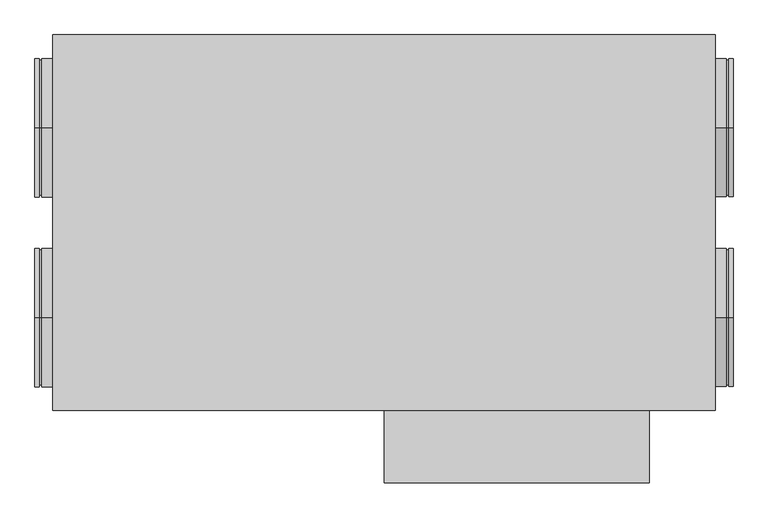
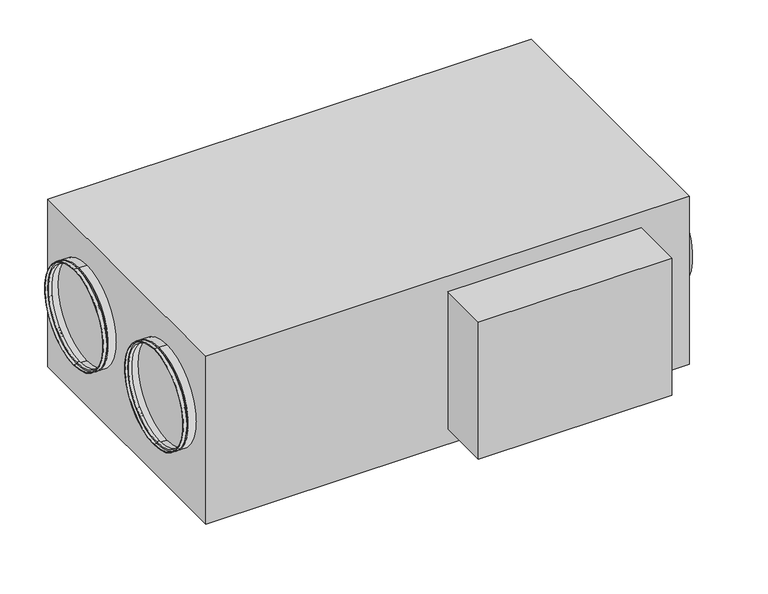
"""IFC4 building model written with IfcOpenShell, lengths in millimetres: proxy geometry."""

from ifc_helpers import new_model, si_unit, frame, origin, origin_with_axes, place, context, project, spatial, polyline, circle_curve, outline, extrude, source, transform, mapped, element, save
from ifc_brep_helpers import plane_surface, cylinder_surface, revolved_surface, advanced_brep


def mechanical_equipment_5552c6d2(model_context):
    return source(origin(), model_context, "Body", "SolidModel", [
        advanced_brep(
        [(-780.0, -215.0, 461.5), (-780.0, -215.0, 146.5), (-790.0, -215.0, 146.5), (-790.0, -215.0, 461.5), (-780.0, -215.0, 456.5), (-780.0, -215.0, 151.5), (-775.0, -215.0, 456.5), (-775.0, -215.0, 151.5), (-775.0, -215.0, 461.5), (-775.0, -215.0, 146.5), (-750.0, -215.0, 461.5), (-750.0, -215.0, 146.5), (-750.0, -215.0, 459.5), (-750.0, -215.0, 148.5), (-773.0, -215.0, 459.5), (-773.0, -215.0, 148.5), (-773.0, -215.0, 454.5), (-773.0, -215.0, 153.5), (-782.0, -215.0, 454.5), (-782.0, -215.0, 153.5), (-782.0, -215.0, 459.5), (-782.0, -215.0, 148.5), (-790.0, -215.0, 459.5), (-790.0, -215.0, 148.5)],
        [
            (0, 1, circle_curve(frame((-780.0, -215.0, 304.0), z_axis=(-1.0, 0.0, 0.0), x_axis=(0.0, 0.0, -1.0)), 157.5)),
            (1, 2),
            (2, 3, circle_curve(frame((-790.0, -215.0, 304.0), z_axis=(1.0, 0.0, 0.0), x_axis=(0.0, 0.0, -1.0)), 157.5)),
            (3, 0),
            (1, 0, circle_curve(frame((-780.0, -215.0, 304.0), z_axis=(-1.0, 0.0, 0.0), x_axis=(0.0, 0.0, -1.0)), 157.5)),
            (3, 2, circle_curve(frame((-790.0, -215.0, 304.0), z_axis=(1.0, 0.0, 0.0), x_axis=(0.0, 0.0, -1.0)), 157.5)),
            (4, 5, circle_curve(frame((-780.0, -215.0, 304.0), z_axis=(-1.0, 0.0, 0.0), x_axis=(0.0, 0.0, -1.0)), 152.5)),
            (5, 1),
            (0, 4),
            (5, 4, circle_curve(frame((-780.0, -215.0, 304.0), z_axis=(-1.0, 0.0, 0.0), x_axis=(0.0, 0.0, -1.0)), 152.5)),
            (6, 7, circle_curve(frame((-775.0, -215.0, 304.0), z_axis=(-1.0, 0.0, 0.0), x_axis=(0.0, 0.0, -1.0)), 152.5)),
            (7, 5),
            (4, 6),
            (7, 6, circle_curve(frame((-775.0, -215.0, 304.0), z_axis=(-1.0, 0.0, 0.0), x_axis=(0.0, 0.0, -1.0)), 152.5)),
            (8, 9, circle_curve(frame((-775.0, -215.0, 304.0), z_axis=(-1.0, 0.0, 0.0), x_axis=(0.0, 0.0, -1.0)), 157.5)),
            (9, 7),
            (6, 8),
            (9, 8, circle_curve(frame((-775.0, -215.0, 304.0), z_axis=(-1.0, 0.0, 0.0), x_axis=(0.0, 0.0, -1.0)), 157.5)),
            (10, 11, circle_curve(frame((-750.0, -215.0, 304.0), z_axis=(-1.0, 0.0, 0.0), x_axis=(0.0, 0.0, -1.0)), 157.5)),
            (11, 9),
            (8, 10),
            (11, 10, circle_curve(frame((-750.0, -215.0, 304.0), z_axis=(-1.0, 0.0, 0.0), x_axis=(0.0, 0.0, -1.0)), 157.5)),
            (12, 13, circle_curve(frame((-750.0, -215.0, 304.0), z_axis=(-1.0, 0.0, 0.0), x_axis=(0.0, 0.0, -1.0)), 155.5)),
            (13, 11),
            (10, 12),
            (13, 12, circle_curve(frame((-750.0, -215.0, 304.0), z_axis=(-1.0, 0.0, 0.0), x_axis=(0.0, 0.0, -1.0)), 155.5)),
            (14, 15, circle_curve(frame((-773.0, -215.0, 304.0), z_axis=(-1.0, 0.0, 0.0), x_axis=(0.0, 0.0, -1.0)), 155.5)),
            (15, 13),
            (12, 14),
            (15, 14, circle_curve(frame((-773.0, -215.0, 304.0), z_axis=(-1.0, 0.0, 0.0), x_axis=(0.0, 0.0, -1.0)), 155.5)),
            (16, 17, circle_curve(frame((-773.0, -215.0, 304.0), z_axis=(-1.0, 0.0, 0.0), x_axis=(0.0, 0.0, -1.0)), 150.5)),
            (17, 15),
            (14, 16),
            (17, 16, circle_curve(frame((-773.0, -215.0, 304.0), z_axis=(-1.0, 0.0, 0.0), x_axis=(0.0, 0.0, -1.0)), 150.5)),
            (18, 19, circle_curve(frame((-782.0, -215.0, 304.0), z_axis=(-1.0, 0.0, 0.0), x_axis=(0.0, 0.0, -1.0)), 150.5)),
            (19, 17),
            (16, 18),
            (19, 18, circle_curve(frame((-782.0, -215.0, 304.0), z_axis=(-1.0, 0.0, 0.0), x_axis=(0.0, 0.0, -1.0)), 150.5)),
            (20, 21, circle_curve(frame((-782.0, -215.0, 304.0), z_axis=(-1.0, 0.0, 0.0), x_axis=(0.0, 0.0, -1.0)), 155.5)),
            (21, 19),
            (18, 20),
            (21, 20, circle_curve(frame((-782.0, -215.0, 304.0), z_axis=(-1.0, 0.0, 0.0), x_axis=(0.0, 0.0, -1.0)), 155.5)),
            (22, 23, circle_curve(frame((-790.0, -215.0, 304.0), z_axis=(-1.0, 0.0, 0.0), x_axis=(0.0, 0.0, -1.0)), 155.5)),
            (23, 21),
            (20, 22),
            (23, 22, circle_curve(frame((-790.0, -215.0, 304.0), z_axis=(-1.0, 0.0, 0.0), x_axis=(0.0, 0.0, -1.0)), 155.5)),
            (2, 23),
            (22, 3),
        ],
        [
            cylinder_surface(frame((-2325.0440172, -215.0, 304.0), z_axis=(1.0, 0.0, 0.0), x_axis=(0.0, 0.0, -1.0)), 157.5),
            plane_surface(frame((-780.0, -215.0, 304.0), z_axis=(1.0, 0.0, 0.0), x_axis=(0.0, 0.0, -1.0))),
            cylinder_surface(frame((-2325.0440172, -215.0, 304.0), z_axis=(1.0, 0.0, 0.0), x_axis=(0.0, 0.0, -1.0)), 152.5),
            plane_surface(frame((-775.0, -215.0, 304.0), z_axis=(-1.0, 0.0, 0.0), x_axis=(0.0, 0.0, -1.0))),
            plane_surface(frame((-750.0, -215.0, 304.0), z_axis=(1.0, 0.0, 0.0), x_axis=(0.0, 0.0, -1.0))),
            revolved_surface(polyline([(-750.0, -215.0, 148.5), (-773.0, -215.0, 148.5)]), (-2325.0440172, -215.0, 304.0), (1.0, 0.0, 0.0)),
            plane_surface(frame((-773.0, -215.0, 304.0), z_axis=(1.0, 0.0, 0.0), x_axis=(0.0, 0.0, -1.0))),
            revolved_surface(polyline([(-773.0, -215.0, 153.5), (-782.0, -215.0, 153.5)]), (-2325.0440172, -215.0, 304.0), (1.0, 0.0, 0.0)),
            plane_surface(frame((-782.0, -215.0, 304.0), z_axis=(-1.0, 0.0, 0.0), x_axis=(0.0, 0.0, -1.0))),
            revolved_surface(polyline([(-782.0, -215.0, 148.5), (-790.0, -215.0, 148.5)]), (-2325.0440172, -215.0, 304.0), (1.0, 0.0, 0.0)),
            plane_surface(frame((-790.0, -215.0, 304.0), z_axis=(-1.0, 0.0, 0.0), x_axis=(0.0, 0.0, -1.0))),
        ],
        [
            (0, [[1, 2, 3, 4]]),
            (0, [[5, -4, 6, -2]]),
            (1, [[7, 8, -1, 9]]),
            (1, [[10, -9, -5, -8]]),
            (2, [[11, 12, -7, 13]]),
            (2, [[14, -13, -10, -12]]),
            (3, [[15, 16, -11, 17]]),
            (3, [[18, -17, -14, -16]]),
            (0, [[19, 20, -15, 21]]),
            (0, [[22, -21, -18, -20]]),
            (4, [[23, 24, -19, 25]]),
            (4, [[26, -25, -22, -24]]),
            (5, [[27, 28, -23, 29]]),
            (5, [[30, -29, -26, -28]]),
            (6, [[31, 32, -27, 33]]),
            (6, [[34, -33, -30, -32]]),
            (7, [[35, 36, -31, 37]]),
            (7, [[38, -37, -34, -36]]),
            (8, [[39, 40, -35, 41]]),
            (8, [[42, -41, -38, -40]]),
            (9, [[43, 44, -39, 45]]),
            (9, [[46, -45, -42, -44]]),
            (10, [[-3, 47, -43, 48]]),
            (10, [[-6, -48, -46, -47]]),
        ],
    ),
        advanced_brep(
        [(-780.0, 215.0, 461.5), (-780.0, 215.0, 146.5), (-790.0, 215.0, 146.5), (-790.0, 215.0, 461.5), (-780.0, 215.0, 456.5), (-780.0, 215.0, 151.5), (-775.0, 215.0, 456.5), (-775.0, 215.0, 151.5), (-775.0, 215.0, 461.5), (-775.0, 215.0, 146.5), (-750.0, 215.0, 461.5), (-750.0, 215.0, 146.5), (-750.0, 215.0, 459.5), (-750.0, 215.0, 148.5), (-773.0, 215.0, 459.5), (-773.0, 215.0, 148.5), (-773.0, 215.0, 454.5), (-773.0, 215.0, 153.5), (-782.0, 215.0, 454.5), (-782.0, 215.0, 153.5), (-782.0, 215.0, 459.5), (-782.0, 215.0, 148.5), (-790.0, 215.0, 459.5), (-790.0, 215.0, 148.5)],
        [
            (0, 1, circle_curve(frame((-780.0, 215.0, 304.0), z_axis=(-1.0, 0.0, 0.0), x_axis=(0.0, 0.0, -1.0)), 157.5)),
            (1, 2),
            (2, 3, circle_curve(frame((-790.0, 215.0, 304.0), z_axis=(1.0, 0.0, 0.0), x_axis=(0.0, 0.0, -1.0)), 157.5)),
            (3, 0),
            (1, 0, circle_curve(frame((-780.0, 215.0, 304.0), z_axis=(-1.0, 0.0, 0.0), x_axis=(0.0, 0.0, -1.0)), 157.5)),
            (3, 2, circle_curve(frame((-790.0, 215.0, 304.0), z_axis=(1.0, 0.0, 0.0), x_axis=(0.0, 0.0, -1.0)), 157.5)),
            (4, 5, circle_curve(frame((-780.0, 215.0, 304.0), z_axis=(-1.0, 0.0, 0.0), x_axis=(0.0, 0.0, -1.0)), 152.5)),
            (5, 1),
            (0, 4),
            (5, 4, circle_curve(frame((-780.0, 215.0, 304.0), z_axis=(-1.0, 0.0, 0.0), x_axis=(0.0, 0.0, -1.0)), 152.5)),
            (6, 7, circle_curve(frame((-775.0, 215.0, 304.0), z_axis=(-1.0, 0.0, 0.0), x_axis=(0.0, 0.0, -1.0)), 152.5)),
            (7, 5),
            (4, 6),
            (7, 6, circle_curve(frame((-775.0, 215.0, 304.0), z_axis=(-1.0, 0.0, 0.0), x_axis=(0.0, 0.0, -1.0)), 152.5)),
            (8, 9, circle_curve(frame((-775.0, 215.0, 304.0), z_axis=(-1.0, 0.0, 0.0), x_axis=(0.0, 0.0, -1.0)), 157.5)),
            (9, 7),
            (6, 8),
            (9, 8, circle_curve(frame((-775.0, 215.0, 304.0), z_axis=(-1.0, 0.0, 0.0), x_axis=(0.0, 0.0, -1.0)), 157.5)),
            (10, 11, circle_curve(frame((-750.0, 215.0, 304.0), z_axis=(-1.0, 0.0, 0.0), x_axis=(0.0, 0.0, -1.0)), 157.5)),
            (11, 9),
            (8, 10),
            (11, 10, circle_curve(frame((-750.0, 215.0, 304.0), z_axis=(-1.0, 0.0, 0.0), x_axis=(0.0, 0.0, -1.0)), 157.5)),
            (12, 13, circle_curve(frame((-750.0, 215.0, 304.0), z_axis=(-1.0, 0.0, 0.0), x_axis=(0.0, 0.0, -1.0)), 155.5)),
            (13, 11),
            (10, 12),
            (13, 12, circle_curve(frame((-750.0, 215.0, 304.0), z_axis=(-1.0, 0.0, 0.0), x_axis=(0.0, 0.0, -1.0)), 155.5)),
            (14, 15, circle_curve(frame((-773.0, 215.0, 304.0), z_axis=(-1.0, 0.0, 0.0), x_axis=(0.0, 0.0, -1.0)), 155.5)),
            (15, 13),
            (12, 14),
            (15, 14, circle_curve(frame((-773.0, 215.0, 304.0), z_axis=(-1.0, 0.0, 0.0), x_axis=(0.0, 0.0, -1.0)), 155.5)),
            (16, 17, circle_curve(frame((-773.0, 215.0, 304.0), z_axis=(-1.0, 0.0, 0.0), x_axis=(0.0, 0.0, -1.0)), 150.5)),
            (17, 15),
            (14, 16),
            (17, 16, circle_curve(frame((-773.0, 215.0, 304.0), z_axis=(-1.0, 0.0, 0.0), x_axis=(0.0, 0.0, -1.0)), 150.5)),
            (18, 19, circle_curve(frame((-782.0, 215.0, 304.0), z_axis=(-1.0, 0.0, 0.0), x_axis=(0.0, 0.0, -1.0)), 150.5)),
            (19, 17),
            (16, 18),
            (19, 18, circle_curve(frame((-782.0, 215.0, 304.0), z_axis=(-1.0, 0.0, 0.0), x_axis=(0.0, 0.0, -1.0)), 150.5)),
            (20, 21, circle_curve(frame((-782.0, 215.0, 304.0), z_axis=(-1.0, 0.0, 0.0), x_axis=(0.0, 0.0, -1.0)), 155.5)),
            (21, 19),
            (18, 20),
            (21, 20, circle_curve(frame((-782.0, 215.0, 304.0), z_axis=(-1.0, 0.0, 0.0), x_axis=(0.0, 0.0, -1.0)), 155.5)),
            (22, 23, circle_curve(frame((-790.0, 215.0, 304.0), z_axis=(-1.0, 0.0, 0.0), x_axis=(0.0, 0.0, -1.0)), 155.5)),
            (23, 21),
            (20, 22),
            (23, 22, circle_curve(frame((-790.0, 215.0, 304.0), z_axis=(-1.0, 0.0, 0.0), x_axis=(0.0, 0.0, -1.0)), 155.5)),
            (2, 23),
            (22, 3),
        ],
        [
            cylinder_surface(frame((-2325.0440172, 215.0, 304.0), z_axis=(1.0, 0.0, 0.0), x_axis=(0.0, 0.0, -1.0)), 157.5),
            plane_surface(frame((-780.0, 215.0, 304.0), z_axis=(1.0, 0.0, 0.0), x_axis=(0.0, 0.0, -1.0))),
            cylinder_surface(frame((-2325.0440172, 215.0, 304.0), z_axis=(1.0, 0.0, 0.0), x_axis=(0.0, 0.0, -1.0)), 152.5),
            plane_surface(frame((-775.0, 215.0, 304.0), z_axis=(-1.0, 0.0, 0.0), x_axis=(0.0, 0.0, -1.0))),
            plane_surface(frame((-750.0, 215.0, 304.0), z_axis=(1.0, 0.0, 0.0), x_axis=(0.0, 0.0, -1.0))),
            revolved_surface(polyline([(-750.0, 215.0, 148.5), (-773.0, 215.0, 148.5)]), (-2325.0440172, 215.0, 304.0), (1.0, 0.0, 0.0)),
            plane_surface(frame((-773.0, 215.0, 304.0), z_axis=(1.0, 0.0, 0.0), x_axis=(0.0, 0.0, -1.0))),
            revolved_surface(polyline([(-773.0, 215.0, 153.5), (-782.0, 215.0, 153.5)]), (-2325.0440172, 215.0, 304.0), (1.0, 0.0, 0.0)),
            plane_surface(frame((-782.0, 215.0, 304.0), z_axis=(-1.0, 0.0, 0.0), x_axis=(0.0, 0.0, -1.0))),
            revolved_surface(polyline([(-782.0, 215.0, 148.5), (-790.0, 215.0, 148.5)]), (-2325.0440172, 215.0, 304.0), (1.0, 0.0, 0.0)),
            plane_surface(frame((-790.0, 215.0, 304.0), z_axis=(-1.0, 0.0, 0.0), x_axis=(0.0, 0.0, -1.0))),
        ],
        [
            (0, [[1, 2, 3, 4]]),
            (0, [[5, -4, 6, -2]]),
            (1, [[7, 8, -1, 9]]),
            (1, [[10, -9, -5, -8]]),
            (2, [[11, 12, -7, 13]]),
            (2, [[14, -13, -10, -12]]),
            (3, [[15, 16, -11, 17]]),
            (3, [[18, -17, -14, -16]]),
            (0, [[19, 20, -15, 21]]),
            (0, [[22, -21, -18, -20]]),
            (4, [[23, 24, -19, 25]]),
            (4, [[26, -25, -22, -24]]),
            (5, [[27, 28, -23, 29]]),
            (5, [[30, -29, -26, -28]]),
            (6, [[31, 32, -27, 33]]),
            (6, [[34, -33, -30, -32]]),
            (7, [[35, 36, -31, 37]]),
            (7, [[38, -37, -34, -36]]),
            (8, [[39, 40, -35, 41]]),
            (8, [[42, -41, -38, -40]]),
            (9, [[43, 44, -39, 45]]),
            (9, [[46, -45, -42, -44]]),
            (10, [[-3, 47, -43, 48]]),
            (10, [[-6, -48, -46, -47]]),
        ],
    ),
        advanced_brep(
        [(780.0, 215.0, 146.5), (780.0, 215.0, 461.5), (790.0, 215.0, 461.5), (790.0, 215.0, 146.5), (780.0, 215.0, 151.5), (780.0, 215.0, 456.5), (775.0, 215.0, 151.5), (775.0, 215.0, 456.5), (775.0, 215.0, 146.5), (775.0, 215.0, 461.5), (750.0, 215.0, 146.5), (750.0, 215.0, 461.5), (750.0, 215.0, 148.5), (750.0, 215.0, 459.5), (773.0, 215.0, 148.5), (773.0, 215.0, 459.5), (773.0, 215.0, 153.5), (773.0, 215.0, 454.5), (782.0, 215.0, 153.5), (782.0, 215.0, 454.5), (782.0, 215.0, 148.5), (782.0, 215.0, 459.5), (790.0, 215.0, 148.5), (790.0, 215.0, 459.5)],
        [
            (0, 1, circle_curve(frame((780.0, 215.0, 304.0), z_axis=(1.0, 0.0, 0.0), x_axis=(0.0, 0.0, 1.0)), 157.5)),
            (1, 2),
            (2, 3, circle_curve(frame((790.0, 215.0, 304.0), z_axis=(-1.0, 0.0, 0.0), x_axis=(0.0, 0.0, 1.0)), 157.5)),
            (3, 0),
            (1, 0, circle_curve(frame((780.0, 215.0, 304.0), z_axis=(1.0, 0.0, 0.0), x_axis=(0.0, 0.0, 1.0)), 157.5)),
            (3, 2, circle_curve(frame((790.0, 215.0, 304.0), z_axis=(-1.0, 0.0, 0.0), x_axis=(0.0, 0.0, 1.0)), 157.5)),
            (4, 5, circle_curve(frame((780.0, 215.0, 304.0), z_axis=(1.0, 0.0, 0.0), x_axis=(0.0, 0.0, 1.0)), 152.5)),
            (5, 1),
            (0, 4),
            (5, 4, circle_curve(frame((780.0, 215.0, 304.0), z_axis=(1.0, 0.0, 0.0), x_axis=(0.0, 0.0, 1.0)), 152.5)),
            (6, 7, circle_curve(frame((775.0, 215.0, 304.0), z_axis=(1.0, 0.0, 0.0), x_axis=(0.0, 0.0, 1.0)), 152.5)),
            (7, 5),
            (4, 6),
            (7, 6, circle_curve(frame((775.0, 215.0, 304.0), z_axis=(1.0, 0.0, 0.0), x_axis=(0.0, 0.0, 1.0)), 152.5)),
            (8, 9, circle_curve(frame((775.0, 215.0, 304.0), z_axis=(1.0, 0.0, 0.0), x_axis=(0.0, 0.0, 1.0)), 157.5)),
            (9, 7),
            (6, 8),
            (9, 8, circle_curve(frame((775.0, 215.0, 304.0), z_axis=(1.0, 0.0, 0.0), x_axis=(0.0, 0.0, 1.0)), 157.5)),
            (10, 11, circle_curve(frame((750.0, 215.0, 304.0), z_axis=(1.0, 0.0, 0.0), x_axis=(0.0, 0.0, 1.0)), 157.5)),
            (11, 9),
            (8, 10),
            (11, 10, circle_curve(frame((750.0, 215.0, 304.0), z_axis=(1.0, 0.0, 0.0), x_axis=(0.0, 0.0, 1.0)), 157.5)),
            (12, 13, circle_curve(frame((750.0, 215.0, 304.0), z_axis=(1.0, 0.0, 0.0), x_axis=(0.0, 0.0, 1.0)), 155.5)),
            (13, 11),
            (10, 12),
            (13, 12, circle_curve(frame((750.0, 215.0, 304.0), z_axis=(1.0, 0.0, 0.0), x_axis=(0.0, 0.0, 1.0)), 155.5)),
            (14, 15, circle_curve(frame((773.0, 215.0, 304.0), z_axis=(1.0, 0.0, 0.0), x_axis=(0.0, 0.0, 1.0)), 155.5)),
            (15, 13),
            (12, 14),
            (15, 14, circle_curve(frame((773.0, 215.0, 304.0), z_axis=(1.0, 0.0, 0.0), x_axis=(0.0, 0.0, 1.0)), 155.5)),
            (16, 17, circle_curve(frame((773.0, 215.0, 304.0), z_axis=(1.0, 0.0, 0.0), x_axis=(0.0, 0.0, 1.0)), 150.5)),
            (17, 15),
            (14, 16),
            (17, 16, circle_curve(frame((773.0, 215.0, 304.0), z_axis=(1.0, 0.0, 0.0), x_axis=(0.0, 0.0, 1.0)), 150.5)),
            (18, 19, circle_curve(frame((782.0, 215.0, 304.0), z_axis=(1.0, 0.0, 0.0), x_axis=(0.0, 0.0, 1.0)), 150.5)),
            (19, 17),
            (16, 18),
            (19, 18, circle_curve(frame((782.0, 215.0, 304.0), z_axis=(1.0, 0.0, 0.0), x_axis=(0.0, 0.0, 1.0)), 150.5)),
            (20, 21, circle_curve(frame((782.0, 215.0, 304.0), z_axis=(1.0, 0.0, 0.0), x_axis=(0.0, 0.0, 1.0)), 155.5)),
            (21, 19),
            (18, 20),
            (21, 20, circle_curve(frame((782.0, 215.0, 304.0), z_axis=(1.0, 0.0, 0.0), x_axis=(0.0, 0.0, 1.0)), 155.5)),
            (22, 23, circle_curve(frame((790.0, 215.0, 304.0), z_axis=(1.0, 0.0, 0.0), x_axis=(0.0, 0.0, 1.0)), 155.5)),
            (23, 21),
            (20, 22),
            (23, 22, circle_curve(frame((790.0, 215.0, 304.0), z_axis=(1.0, 0.0, 0.0), x_axis=(0.0, 0.0, 1.0)), 155.5)),
            (2, 23),
            (22, 3),
        ],
        [
            cylinder_surface(frame((2325.0440172, 215.0, 304.0), z_axis=(-1.0, 0.0, 0.0), x_axis=(0.0, 0.0, 1.0)), 157.5),
            plane_surface(frame((780.0, 215.0, 304.0), z_axis=(-1.0, 0.0, 0.0), x_axis=(0.0, 0.0, 1.0))),
            cylinder_surface(frame((2325.0440172, 215.0, 304.0), z_axis=(-1.0, 0.0, 0.0), x_axis=(0.0, 0.0, 1.0)), 152.5),
            plane_surface(frame((775.0, 215.0, 304.0), z_axis=(1.0, 0.0, 0.0), x_axis=(0.0, 0.0, 1.0))),
            plane_surface(frame((750.0, 215.0, 304.0), z_axis=(-1.0, 0.0, 0.0), x_axis=(0.0, 0.0, 1.0))),
            revolved_surface(polyline([(750.0, 215.0, 459.5), (773.0, 215.0, 459.5)]), (2325.0440172, 215.0, 304.0), (-1.0, 0.0, 0.0)),
            plane_surface(frame((773.0, 215.0, 304.0), z_axis=(-1.0, 0.0, 0.0), x_axis=(0.0, 0.0, 1.0))),
            revolved_surface(polyline([(773.0, 215.0, 454.5), (782.0, 215.0, 454.5)]), (2325.0440172, 215.0, 304.0), (-1.0, 0.0, 0.0)),
            plane_surface(frame((782.0, 215.0, 304.0), z_axis=(1.0, 0.0, 0.0), x_axis=(0.0, 0.0, 1.0))),
            revolved_surface(polyline([(782.0, 215.0, 459.5), (790.0, 215.0, 459.5)]), (2325.0440172, 215.0, 304.0), (-1.0, 0.0, 0.0)),
            plane_surface(frame((790.0, 215.0, 304.0), z_axis=(1.0, 0.0, 0.0), x_axis=(0.0, 0.0, 1.0))),
        ],
        [
            (0, [[1, 2, 3, 4]]),
            (0, [[5, -4, 6, -2]]),
            (1, [[7, 8, -1, 9]]),
            (1, [[10, -9, -5, -8]]),
            (2, [[11, 12, -7, 13]]),
            (2, [[14, -13, -10, -12]]),
            (3, [[15, 16, -11, 17]]),
            (3, [[18, -17, -14, -16]]),
            (0, [[19, 20, -15, 21]]),
            (0, [[22, -21, -18, -20]]),
            (4, [[23, 24, -19, 25]]),
            (4, [[26, -25, -22, -24]]),
            (5, [[27, 28, -23, 29]]),
            (5, [[30, -29, -26, -28]]),
            (6, [[31, 32, -27, 33]]),
            (6, [[34, -33, -30, -32]]),
            (7, [[35, 36, -31, 37]]),
            (7, [[38, -37, -34, -36]]),
            (8, [[39, 40, -35, 41]]),
            (8, [[42, -41, -38, -40]]),
            (9, [[43, 44, -39, 45]]),
            (9, [[46, -45, -42, -44]]),
            (10, [[-3, 47, -43, 48]]),
            (10, [[-6, -48, -46, -47]]),
        ],
    ),
        advanced_brep(
        [(780.0, -215.0, 146.5), (780.0, -215.0, 461.5), (790.0, -215.0, 461.5), (790.0, -215.0, 146.5), (780.0, -215.0, 151.5), (780.0, -215.0, 456.5), (775.0, -215.0, 151.5), (775.0, -215.0, 456.5), (775.0, -215.0, 146.5), (775.0, -215.0, 461.5), (750.0, -215.0, 146.5), (750.0, -215.0, 461.5), (750.0, -215.0, 148.5), (750.0, -215.0, 459.5), (773.0, -215.0, 148.5), (773.0, -215.0, 459.5), (773.0, -215.0, 153.5), (773.0, -215.0, 454.5), (782.0, -215.0, 153.5), (782.0, -215.0, 454.5), (782.0, -215.0, 148.5), (782.0, -215.0, 459.5), (790.0, -215.0, 148.5), (790.0, -215.0, 459.5)],
        [
            (0, 1, circle_curve(frame((780.0, -215.0, 304.0), z_axis=(1.0, 0.0, 0.0), x_axis=(0.0, 0.0, 1.0)), 157.5)),
            (1, 2),
            (2, 3, circle_curve(frame((790.0, -215.0, 304.0), z_axis=(-1.0, 0.0, 0.0), x_axis=(0.0, 0.0, 1.0)), 157.5)),
            (3, 0),
            (1, 0, circle_curve(frame((780.0, -215.0, 304.0), z_axis=(1.0, 0.0, 0.0), x_axis=(0.0, 0.0, 1.0)), 157.5)),
            (3, 2, circle_curve(frame((790.0, -215.0, 304.0), z_axis=(-1.0, 0.0, 0.0), x_axis=(0.0, 0.0, 1.0)), 157.5)),
            (4, 5, circle_curve(frame((780.0, -215.0, 304.0), z_axis=(1.0, 0.0, 0.0), x_axis=(0.0, 0.0, 1.0)), 152.5)),
            (5, 1),
            (0, 4),
            (5, 4, circle_curve(frame((780.0, -215.0, 304.0), z_axis=(1.0, 0.0, 0.0), x_axis=(0.0, 0.0, 1.0)), 152.5)),
            (6, 7, circle_curve(frame((775.0, -215.0, 304.0), z_axis=(1.0, 0.0, 0.0), x_axis=(0.0, 0.0, 1.0)), 152.5)),
            (7, 5),
            (4, 6),
            (7, 6, circle_curve(frame((775.0, -215.0, 304.0), z_axis=(1.0, 0.0, 0.0), x_axis=(0.0, 0.0, 1.0)), 152.5)),
            (8, 9, circle_curve(frame((775.0, -215.0, 304.0), z_axis=(1.0, 0.0, 0.0), x_axis=(0.0, 0.0, 1.0)), 157.5)),
            (9, 7),
            (6, 8),
            (9, 8, circle_curve(frame((775.0, -215.0, 304.0), z_axis=(1.0, 0.0, 0.0), x_axis=(0.0, 0.0, 1.0)), 157.5)),
            (10, 11, circle_curve(frame((750.0, -215.0, 304.0), z_axis=(1.0, 0.0, 0.0), x_axis=(0.0, 0.0, 1.0)), 157.5)),
            (11, 9),
            (8, 10),
            (11, 10, circle_curve(frame((750.0, -215.0, 304.0), z_axis=(1.0, 0.0, 0.0), x_axis=(0.0, 0.0, 1.0)), 157.5)),
            (12, 13, circle_curve(frame((750.0, -215.0, 304.0), z_axis=(1.0, 0.0, 0.0), x_axis=(0.0, 0.0, 1.0)), 155.5)),
            (13, 11),
            (10, 12),
            (13, 12, circle_curve(frame((750.0, -215.0, 304.0), z_axis=(1.0, 0.0, 0.0), x_axis=(0.0, 0.0, 1.0)), 155.5)),
            (14, 15, circle_curve(frame((773.0, -215.0, 304.0), z_axis=(1.0, 0.0, 0.0), x_axis=(0.0, 0.0, 1.0)), 155.5)),
            (15, 13),
            (12, 14),
            (15, 14, circle_curve(frame((773.0, -215.0, 304.0), z_axis=(1.0, 0.0, 0.0), x_axis=(0.0, 0.0, 1.0)), 155.5)),
            (16, 17, circle_curve(frame((773.0, -215.0, 304.0), z_axis=(1.0, 0.0, 0.0), x_axis=(0.0, 0.0, 1.0)), 150.5)),
            (17, 15),
            (14, 16),
            (17, 16, circle_curve(frame((773.0, -215.0, 304.0), z_axis=(1.0, 0.0, 0.0), x_axis=(0.0, 0.0, 1.0)), 150.5)),
            (18, 19, circle_curve(frame((782.0, -215.0, 304.0), z_axis=(1.0, 0.0, 0.0), x_axis=(0.0, 0.0, 1.0)), 150.5)),
            (19, 17),
            (16, 18),
            (19, 18, circle_curve(frame((782.0, -215.0, 304.0), z_axis=(1.0, 0.0, 0.0), x_axis=(0.0, 0.0, 1.0)), 150.5)),
            (20, 21, circle_curve(frame((782.0, -215.0, 304.0), z_axis=(1.0, 0.0, 0.0), x_axis=(0.0, 0.0, 1.0)), 155.5)),
            (21, 19),
            (18, 20),
            (21, 20, circle_curve(frame((782.0, -215.0, 304.0), z_axis=(1.0, 0.0, 0.0), x_axis=(0.0, 0.0, 1.0)), 155.5)),
            (22, 23, circle_curve(frame((790.0, -215.0, 304.0), z_axis=(1.0, 0.0, 0.0), x_axis=(0.0, 0.0, 1.0)), 155.5)),
            (23, 21),
            (20, 22),
            (23, 22, circle_curve(frame((790.0, -215.0, 304.0), z_axis=(1.0, 0.0, 0.0), x_axis=(0.0, 0.0, 1.0)), 155.5)),
            (2, 23),
            (22, 3),
        ],
        [
            cylinder_surface(frame((2325.0440172, -215.0, 304.0), z_axis=(-1.0, 0.0, 0.0), x_axis=(0.0, 0.0, 1.0)), 157.5),
            plane_surface(frame((780.0, -215.0, 304.0), z_axis=(-1.0, 0.0, 0.0), x_axis=(0.0, 0.0, 1.0))),
            cylinder_surface(frame((2325.0440172, -215.0, 304.0), z_axis=(-1.0, 0.0, 0.0), x_axis=(0.0, 0.0, 1.0)), 152.5),
            plane_surface(frame((775.0, -215.0, 304.0), z_axis=(1.0, 0.0, 0.0), x_axis=(0.0, 0.0, 1.0))),
            plane_surface(frame((750.0, -215.0, 304.0), z_axis=(-1.0, 0.0, 0.0), x_axis=(0.0, 0.0, 1.0))),
            revolved_surface(polyline([(750.0, -215.0, 459.5), (773.0, -215.0, 459.5)]), (2325.0440172, -215.0, 304.0), (-1.0, 0.0, 0.0)),
            plane_surface(frame((773.0, -215.0, 304.0), z_axis=(-1.0, 0.0, 0.0), x_axis=(0.0, 0.0, 1.0))),
            revolved_surface(polyline([(773.0, -215.0, 454.5), (782.0, -215.0, 454.5)]), (2325.0440172, -215.0, 304.0), (-1.0, 0.0, 0.0)),
            plane_surface(frame((782.0, -215.0, 304.0), z_axis=(1.0, 0.0, 0.0), x_axis=(0.0, 0.0, 1.0))),
            revolved_surface(polyline([(782.0, -215.0, 459.5), (790.0, -215.0, 459.5)]), (2325.0440172, -215.0, 304.0), (-1.0, 0.0, 0.0)),
            plane_surface(frame((790.0, -215.0, 304.0), z_axis=(1.0, 0.0, 0.0), x_axis=(0.0, 0.0, 1.0))),
        ],
        [
            (0, [[1, 2, 3, 4]]),
            (0, [[5, -4, 6, -2]]),
            (1, [[7, 8, -1, 9]]),
            (1, [[10, -9, -5, -8]]),
            (2, [[11, 12, -7, 13]]),
            (2, [[14, -13, -10, -12]]),
            (3, [[15, 16, -11, 17]]),
            (3, [[18, -17, -14, -16]]),
            (0, [[19, 20, -15, 21]]),
            (0, [[22, -21, -18, -20]]),
            (4, [[23, 24, -19, 25]]),
            (4, [[26, -25, -22, -24]]),
            (5, [[27, 28, -23, 29]]),
            (5, [[30, -29, -26, -28]]),
            (6, [[31, 32, -27, 33]]),
            (6, [[34, -33, -30, -32]]),
            (7, [[35, 36, -31, 37]]),
            (7, [[38, -37, -34, -36]]),
            (8, [[39, 40, -35, 41]]),
            (8, [[42, -41, -38, -40]]),
            (9, [[43, 44, -39, 45]]),
            (9, [[46, -45, -42, -44]]),
            (10, [[-3, 47, -43, 48]]),
            (10, [[-6, -48, -46, -47]]),
        ],
    ),
        extrude(outline(polyline([(-750.0, 425.0), (750.0, 425.0), (750.0, -425.0), (-750.0, -425.0), (-750.0, 425.0)])), origin_with_axes(), (0.0, 0.0, 1.0), 550.0),
        extrude(outline(polyline([(600.0, -590.0), (0.0, -590.0), (0.0, -425.0), (600.0, -425.0), (600.0, -590.0)])), frame((0.0, 0.0, 50.0), z_axis=(0.0, 0.0, 1.0), x_axis=(1.0, 0.0, 0.0)), (0.0, 0.0, 1.0), 450.0),
    ])


if __name__ == "__main__":
    model = new_model("IFC4")
    model_context = context("Model", 3, world=origin())
    ifc_project = project(units=[si_unit("LENGTHUNIT", "METRE", prefix="MILLI")], contexts=[model_context])
    site = spatial("IfcSite", under=ifc_project)
    building = spatial("IfcBuilding", under=site)
    placement = place(None, origin())
    mechanical_equipment_shape = mechanical_equipment_5552c6d2(model_context)
    element("IfcBuildingElementProxy", 1, Name="Mechanical Equipment", at=placement, inside=building, context=model_context, shape_type="MappedRepresentation", body=[
        mapped(mechanical_equipment_shape, transform((0.0, 0.0, 0.0), x_axis=(1.0, 0.0, 0.0), y_axis=(0.0, 1.0, 0.0), z_axis=(0.0, 0.0, 1.0))),
    ])
    save(model, "model.ifc")
